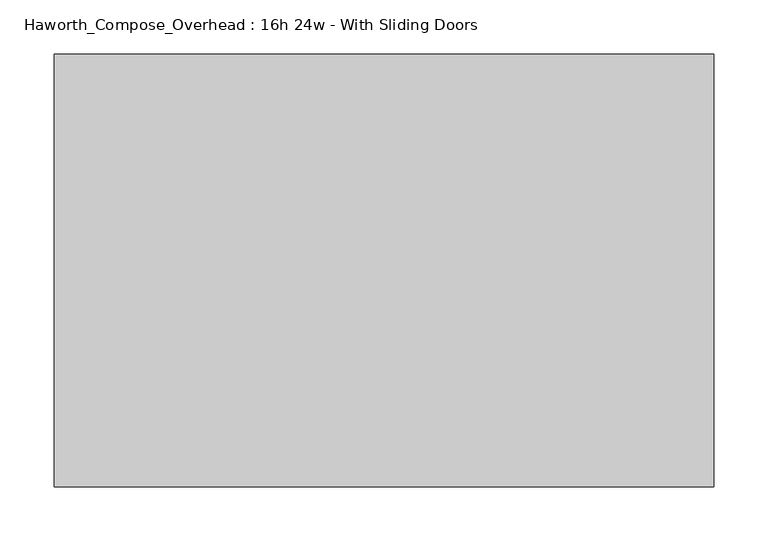
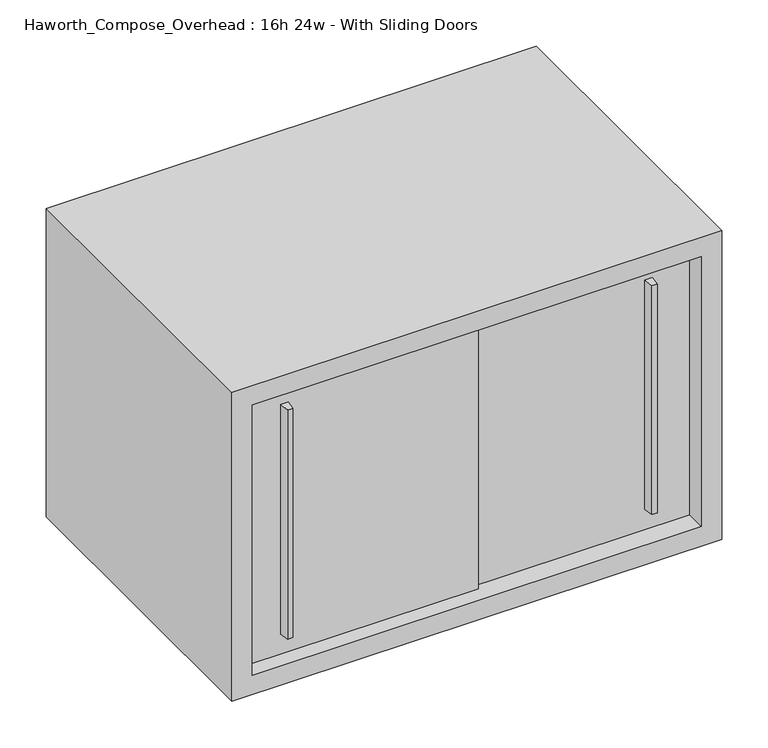
"""IFC4 building model written with IfcOpenShell, lengths in millimetres: furniture geometry, Haworth_Compose_Overhead : 16h 24w - With Sliding Doors."""

from ifc_helpers import new_model, si_unit, frame, origin, place, context, project, spatial, polyline, outline, extrude, source, transform, mapped, element, save


def haworth_compose_overhead_16h_24w_with_sliding_doors_01b762e1(model_context):
    return source(origin(), model_context, "Body", "SweptSolid", [
        extrude(outline(polyline([(396.8750004, -387.3499879), (390.5249996, -387.3499879), (388.9375011, -374.65), (398.4624989, -374.65), (396.8750004, -387.3499879)])), frame((0.0, 0.0, 1322.3875), z_axis=(0.0, 0.0, 1.0), x_axis=(1.0, 0.0, 0.0)), (0.0, 0.0, 1.0), 301.625),
        extrude(outline(polyline([(-60.3249996, -393.6999879), (-66.6750004, -393.6999879), (-68.2624989, -381.0), (-58.7375011, -381.0), (-60.3249996, -393.6999879)])), frame((0.0, 0.0, 1322.3875), z_axis=(0.0, 0.0, 1.0), x_axis=(1.0, 0.0, 0.0)), (0.0, 0.0, 1.0), 301.625),
        extrude(outline(polyline([(-114.3, -374.65), (177.8, -374.65), (177.8, -381.0), (-114.3, -381.0), (-114.3, -374.65)])), frame((0.0, 0.0, 1295.4), z_axis=(0.0, 0.0, 1.0), x_axis=(1.0, 0.0, 0.0)), (0.0, 0.0, 1.0), 355.6),
        extrude(outline(polyline([(152.4, -368.3), (444.5, -368.3), (444.5, -374.65), (152.4, -374.65), (152.4, -368.3)])), frame((0.0, 0.0, 1295.4), z_axis=(0.0, 0.0, 1.0), x_axis=(1.0, 0.0, 0.0)), (0.0, 0.0, 1.0), 355.6),
        extrude(outline(polyline([(444.5, -6.35), (-114.3, -6.35), (-114.3, 0.0), (444.5, 0.0), (444.5, -6.35)])), frame((0.0, 0.0, 1295.4), z_axis=(0.0, 0.0, 1.0), x_axis=(1.0, 0.0, 0.0)), (0.0, 0.0, 1.0), 355.6),
        extrude(outline(polyline([(1270.0, 469.9), (1676.4, 469.9), (1676.4, -139.7), (1270.0, -139.7), (1270.0, 469.9)]), holes=[polyline([(1651.0, 444.5), (1295.4, 444.5), (1295.4, -114.3), (1651.0, -114.3), (1651.0, 444.5)])]), frame((0.0, -400.05, 0.0), z_axis=(0.0, 1.0, 0.0), x_axis=(0.0, 0.0, 1.0)), (0.0, 0.0, 1.0), 400.05),
    ])


if __name__ == "__main__":
    model = new_model("IFC4")
    model_context = context("Model", 3, world=origin())
    ifc_project = project(units=[si_unit("LENGTHUNIT", "METRE", prefix="MILLI")], contexts=[model_context])
    site = spatial("IfcSite", under=ifc_project)
    building = spatial("IfcBuilding", under=site)
    placement = place(None, origin())
    haworth_compose_overhead_16h_24w_with_sliding_doors_shape = haworth_compose_overhead_16h_24w_with_sliding_doors_01b762e1(model_context)
    element("IfcFurniture", 1, ObjectType="Haworth_Compose_Overhead : 16h 24w - With Sliding Doors", at=placement, inside=building, context=model_context, shape_type="MappedRepresentation", body=[
        mapped(haworth_compose_overhead_16h_24w_with_sliding_doors_shape, transform((0.0, 0.0, 0.0), x_axis=(1.0, 0.0, 0.0), y_axis=(0.0, 1.0, 0.0), z_axis=(0.0, 0.0, 1.0))),
    ])
    save(model, "model.ifc")
